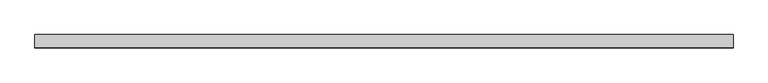
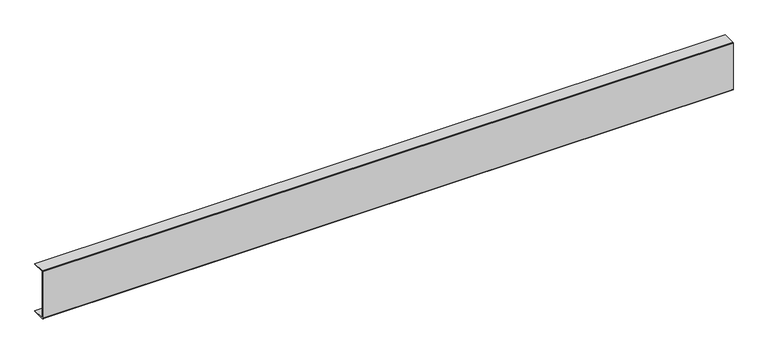
"""IFC4 building model written with IfcOpenShell, lengths in millimetres: proxy geometry."""

import ifcopenshell
import ifcopenshell.guid

model = None  # the IFC model being written
_history = None  # IfcOwnerHistory: only IFC2X3 demands one
_inside = {}  # id of a spatial element -> (the spatial element, [elements in it])
_under = {}  # id of a project, library or spatial element -> (it, [spatial elements below it])
_declared = {}  # id of a project -> (the project, [libraries it declares])
_typed = {}  # id of a type object -> (the type object, [elements of that type])
_made_of = {}  # id of a material, layer set ... -> (it, [elements and type objects made of it])


def new_model(schema):
    """Start an empty IFC model of exactly this schema.

    Asked for "IFC4X3", IfcOpenShell would pick the latest addendum, in which some entities
    have other attributes; the version numbers below select the first issue.
    IFC2X3 requires an IfcOwnerHistory on every rooted entity: one is made here for all.
    """
    global model, _history
    if schema == "IFC4X3":
        model = ifcopenshell.file(schema_version=(4, 3, 0, 0))
    else:
        model = ifcopenshell.file(schema=schema)
    _inside.clear()
    _under.clear()
    _declared.clear()
    _typed.clear()
    _made_of.clear()
    _history = None
    if model.schema == "IFC2X3":
        org = make("IfcOrganization", Name="unknown")
        user = make(
            "IfcPersonAndOrganization",
            ThePerson=make("IfcPerson", FamilyName="unknown"),
            TheOrganization=org,
        )
        app = make(
            "IfcApplication",
            ApplicationDeveloper=org,
            Version="unknown",
            ApplicationFullName="unknown",
            ApplicationIdentifier="unknown",
        )
        _history = make(
            "IfcOwnerHistory",
            OwningUser=user,
            OwningApplication=app,
            ChangeAction="ADDED",
            CreationDate=0,
        )
    return model


def make(cls, **values):
    """One entity of the class cls with the attributes given. An attribute that is None is left unset."""
    return model.create_entity(
        cls, **{name: value for name, value in values.items() if value is not None}
    )


def rooted(cls, **values):
    """An entity with a GlobalId (a new one), such as an element, a storey or a relation."""
    return make(cls, GlobalId=ifcopenshell.guid.new(), OwnerHistory=_history, **values)


def si_unit(unit_type, name, prefix=None):
    """IfcSIUnit, for example si_unit("LENGTHUNIT", "METRE", prefix="MILLI")."""
    return make("IfcSIUnit", UnitType=unit_type, Prefix=prefix, Name=name)


def assignment(units):
    """IfcUnitAssignment: the units of a project."""
    return None if units is None else make("IfcUnitAssignment", Units=units)


def point(xyz):
    """IfcCartesianPoint."""
    return None if xyz is None else make("IfcCartesianPoint", Coordinates=xyz)


def direction(xyz):
    """IfcDirection."""
    return None if xyz is None else make("IfcDirection", DirectionRatios=xyz)


def frame(location, z_axis=None, x_axis=None):
    """IfcAxis2Placement3D, a coordinate frame: its origin and axes. An axis left out is left unset."""
    return make(
        "IfcAxis2Placement3D",
        Location=point(location),
        Axis=direction(z_axis),
        RefDirection=direction(x_axis),
    )


def frame_2d(location, x_axis=None):
    """IfcAxis2Placement2D, a coordinate frame in the plane: its origin and x axis."""
    return make(
        "IfcAxis2Placement2D", Location=point(location), RefDirection=direction(x_axis)
    )


def origin():
    """The frame at (0, 0, 0) with its axes left unset."""
    return frame((0.0, 0.0, 0.0))


def place(relative_to, where):
    """IfcLocalPlacement: puts the frame where relative to a parent placement (None: the world)."""
    return make(
        "IfcLocalPlacement", PlacementRelTo=relative_to, RelativePlacement=where
    )


def context(
    kind, dimensions, precision=None, world=None, true_north=None, identifier=None
):
    """IfcGeometricRepresentationContext, for example the 3D "Model" context."""
    return make(
        "IfcGeometricRepresentationContext",
        ContextIdentifier=identifier,
        ContextType=kind,
        CoordinateSpaceDimension=dimensions,
        Precision=precision,
        WorldCoordinateSystem=world,
        TrueNorth=true_north,
    )


def project(units=None, contexts=None):
    """IfcProject with its units and contexts."""
    return rooted(
        "IfcProject",
        Name="project",
        RepresentationContexts=contexts,
        UnitsInContext=assignment(units),
    )


def spatial(cls, under=None, at=None, **own):
    """A site, building, storey or space (cls), placed at a placement, below another one or the project."""
    s = rooted(cls, ObjectPlacement=at, **own)
    if under is not None:
        _under.setdefault(under.id(), (under, []))[1].append(s)
    return s


def polyline(points):
    """IfcPolyline through the points."""
    return make("IfcPolyline", Points=[point(p) for p in points])


def circle_curve(where, radius):
    """IfcCircle in the frame where."""
    return make("IfcCircle", Position=where, Radius=radius)


def trimmed(basis, trim1, trim2, sense, master):
    """IfcTrimmedCurve: the piece of a basis curve between two trims."""
    return make(
        "IfcTrimmedCurve",
        BasisCurve=basis,
        Trim1=trim1,
        Trim2=trim2,
        SenseAgreement=sense,
        MasterRepresentation=master,
    )


def segment(curve, same_sense, transition):
    """IfcCompositeCurveSegment."""
    return make(
        "IfcCompositeCurveSegment",
        Transition=transition,
        SameSense=same_sense,
        ParentCurve=curve,
    )


def composite_curve(segments, self_intersect=None):
    """IfcCompositeCurve: segments joined end to end."""
    return make("IfcCompositeCurve", Segments=segments, SelfIntersect=self_intersect)


def outline(outer, holes=None, kind="AREA"):
    """IfcArbitraryClosedProfileDef: a profile drawn as a closed curve; with holes, ...WithVoids."""
    if holes is None:
        return make("IfcArbitraryClosedProfileDef", ProfileType=kind, OuterCurve=outer)
    return make(
        "IfcArbitraryProfileDefWithVoids",
        ProfileType=kind,
        OuterCurve=outer,
        InnerCurves=holes,
    )


def extrude(swept, where, along, depth):
    """IfcExtrudedAreaSolid: the profile swept, set in the frame where, extruded along a direction by depth."""
    return make(
        "IfcExtrudedAreaSolid",
        SweptArea=swept,
        Position=where,
        ExtrudedDirection=direction(along),
        Depth=depth,
    )


def shape(context_of_items, identifier, shape_type, items):
    """IfcShapeRepresentation: the items that make up one representation, for example the "Body"."""
    return make(
        "IfcShapeRepresentation",
        ContextOfItems=context_of_items,
        RepresentationIdentifier=identifier,
        RepresentationType=shape_type,
        Items=items,
    )


def source(mapping_origin, context_of_items, identifier, shape_type, items):
    """IfcRepresentationMap: a shape defined once, which mapped items show again and again."""
    return make(
        "IfcRepresentationMap",
        MappingOrigin=mapping_origin,
        MappedRepresentation=shape(context_of_items, identifier, shape_type, items),
    )


def transform(
    local_origin,
    x_axis=None,
    y_axis=None,
    z_axis=None,
    scale=None,
    scale2=None,
    scale3=None,
    uniform=True,
):
    """IfcCartesianTransformationOperator3D, or its non-uniform kind. x_axis, y_axis, z_axis: its Axis1, 2, 3."""
    if uniform:
        return make(
            "IfcCartesianTransformationOperator3D",
            Axis1=direction(x_axis),
            Axis2=direction(y_axis),
            LocalOrigin=point(local_origin),
            Scale=scale,
            Axis3=direction(z_axis),
        )
    return make(
        "IfcCartesianTransformationOperator3DnonUniform",
        Axis1=direction(x_axis),
        Axis2=direction(y_axis),
        LocalOrigin=point(local_origin),
        Scale=scale,
        Axis3=direction(z_axis),
        Scale2=scale2,
        Scale3=scale3,
    )


def mapped(mapping_source, mapping_target):
    """IfcMappedItem: shows the shape of a source again, moved by a transform."""
    return make(
        "IfcMappedItem", MappingSource=mapping_source, MappingTarget=mapping_target
    )


def made_of(thing, what):
    """Note that an element or type object is made of a material, layer set ...; save() writes the relation."""
    if what is not None:
        _made_of.setdefault(what.id(), (what, []))[1].append(thing)
    return thing


def element(
    cls,
    number,
    at=None,
    inside=None,
    cuts=None,
    type_object=None,
    material=None,
    context=None,
    identifier="Body",
    shape_type=None,
    held_by="IfcProductDefinitionShape",
    body=None,
    shapes=None,
    **own,
):
    """One element of the class cls, such as IfcWall. Its Tag is "e" and its number.

    at: its placement. inside: the storey or other place that contains it. cuts: it is an
    opening in that element (IfcRelVoidsElement). A single representation is given by context,
    identifier, shape_type and body (its items); several are given by shapes. held_by: the class
    of the entity that holds the representations. save() writes the other relations.
    """
    e = rooted(cls, Tag="e%d" % number, ObjectPlacement=at, **own)
    if body is not None:
        shapes = [shape(context, identifier, shape_type, body)]
    if shapes is not None:
        e.Representation = make(held_by, Representations=shapes)
    if inside is not None:
        _inside.setdefault(inside.id(), (inside, []))[1].append(e)
    if cuts is not None:
        rooted(
            "IfcRelVoidsElement", RelatingBuildingElement=cuts, RelatedOpeningElement=e
        )
    if type_object is not None:
        _typed.setdefault(type_object.id(), (type_object, []))[1].append(e)
    return made_of(e, material)


def aggregate(whole, parts):
    """IfcRelAggregates: a whole, such as a stair, and the parts it consists of."""
    return rooted("IfcRelAggregates", RelatingObject=whole, RelatedObjects=parts)


def save(model, path):
    """Write the relations noted so far, then the file.

    IfcRelAggregates (storeys below a building ...), IfcRelContainedInSpatialStructure (elements
    in a storey), IfcRelDefinesByType, IfcRelAssociatesMaterial and IfcRelDeclares: one each for
    every whole, place, type object, material and project.
    """
    for whole, parts in _under.values():
        aggregate(whole, parts)
    for where, things in _inside.values():
        rooted(
            "IfcRelContainedInSpatialStructure",
            RelatedElements=things,
            RelatingStructure=where,
        )
    for kind, things in _typed.values():
        rooted("IfcRelDefinesByType", RelatedObjects=things, RelatingType=kind)
    for what, things in _made_of.values():
        rooted("IfcRelAssociatesMaterial", RelatedObjects=things, RelatingMaterial=what)
    for by, libraries in _declared.values():
        rooted("IfcRelDeclares", RelatingContext=by, RelatedDefinitions=libraries)
    model.write(path)


def generic_models_6ea57a3e(model_context):
    return source(origin(), model_context, "Body", "SweptSolid", [
        extrude(outline(composite_curve([segment(polyline([(2.0, 151.0), (40.0, 151.0), (40.0, 149.0), (2.0, 149.0), (2.0, 2.0), (40.0, 2.0), (40.0, 0.0), (2.0, 0.0)]), True, "CONTINUOUS"), segment(trimmed(circle_curve(frame_2d((2.0, 2.0)), 2.0), [point((2.0, 0.0))], [point((0.0, 2.0))], False, "CARTESIAN"), True, "CONTINUOUS"), segment(polyline([(0.0, 2.0), (0.0, 149.0)]), True, "CONTINUOUS"), segment(trimmed(circle_curve(frame_2d((2.0, 149.0)), 2.0), [point((0.0, 149.0))], [point((2.0, 151.0))], False, "CARTESIAN"), True, "CONTINUOUS")], self_intersect=False)), frame((0.0, 0.0, 0.0), z_axis=(1.0, 0.0, 0.0), x_axis=(0.0, 1.0, 0.0)), (0.0, 0.0, 1.0), 2067.9687132),
    ])


if __name__ == "__main__":
    model = new_model("IFC4")
    model_context = context("Model", 3, world=origin())
    ifc_project = project(units=[si_unit("LENGTHUNIT", "METRE", prefix="MILLI")], contexts=[model_context])
    site = spatial("IfcSite", under=ifc_project)
    building = spatial("IfcBuilding", under=site)
    placement = place(None, origin())
    generic_models_shape = generic_models_6ea57a3e(model_context)
    element("IfcBuildingElementProxy", 1, Name="Generic Models", at=placement, inside=building, context=model_context, shape_type="MappedRepresentation", body=[
        mapped(generic_models_shape, transform((0.0, 0.0, 0.0), x_axis=(1.0, 0.0, 0.0), y_axis=(0.0, 1.0, 0.0), z_axis=(0.0, 0.0, 1.0))),
    ])
    save(model, "model.ifc")
